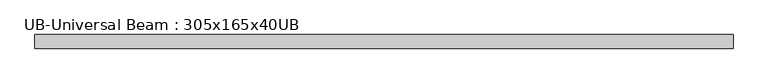
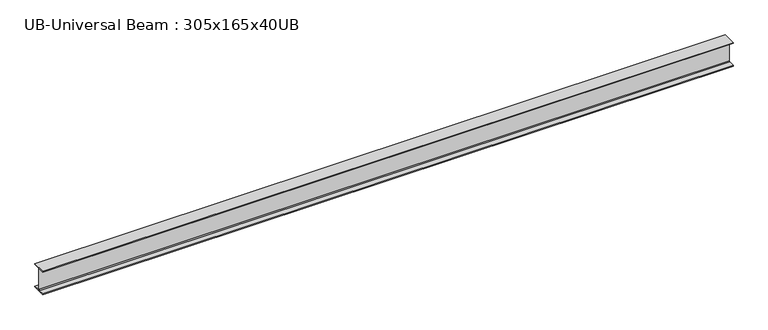
"""IFC4 building model written with IfcOpenShell, lengths in millimetres: beam geometry, UB-Universal Beam : 305x165x40UB."""

from ifc_helpers import new_model, si_unit, point, frame, frame_2d, origin, place, context, project, spatial, polyline, circle_curve, trimmed, segment, composite_curve, outline, extrude, source, transform, mapped, element, save


def ub_universal_beam_305x165x40ub_78087930(model_context):
    return source(origin(), model_context, "Body", "SweptSolid", [
        extrude(outline(composite_curve([segment(polyline([(82.5, -141.5), (82.5, -151.7), (-82.5, -151.7), (-82.5, -141.5), (-11.9, -141.5)]), True, "CONTINUOUS"), segment(trimmed(circle_curve(frame_2d((-11.9, -132.6)), 8.9), [point((-11.9, -141.5))], [point((-3.0, -132.6))], True, "CARTESIAN"), True, "CONTINUOUS"), segment(polyline([(-3.0, -132.6), (-3.0, 132.6)]), True, "CONTINUOUS"), segment(trimmed(circle_curve(frame_2d((-11.9, 132.6)), 8.9), [point((-3.0, 132.6))], [point((-11.9, 141.5))], True, "CARTESIAN"), True, "CONTINUOUS"), segment(polyline([(-11.9, 141.5), (-82.5, 141.5), (-82.5, 151.7), (82.5, 151.7), (82.5, 141.5), (11.9, 141.5)]), True, "CONTINUOUS"), segment(trimmed(circle_curve(frame_2d((11.9, 132.6)), 8.9), [point((11.9, 141.5))], [point((3.0, 132.6))], True, "CARTESIAN"), True, "CONTINUOUS"), segment(polyline([(3.0, 132.6), (3.0, -132.6)]), True, "CONTINUOUS"), segment(trimmed(circle_curve(frame_2d((11.9, -132.6)), 8.9), [point((3.0, -132.6))], [point((11.9, -141.5))], True, "CARTESIAN"), True, "CONTINUOUS"), segment(polyline([(11.9, -141.5), (82.5, -141.5)]), True, "CONTINUOUS")], self_intersect=False)), frame((-4232.6310742, 0.0, 0.0), z_axis=(1.0, 0.0, 0.0), x_axis=(0.0, 1.0, 0.0)), (0.0, 0.0, 1.0), 8457.7135358),
    ])


if __name__ == "__main__":
    model = new_model("IFC4")
    model_context = context("Model", 3, world=origin())
    ifc_project = project(units=[si_unit("LENGTHUNIT", "METRE", prefix="MILLI")], contexts=[model_context])
    site = spatial("IfcSite", under=ifc_project)
    building = spatial("IfcBuilding", under=site)
    placement = place(None, origin())
    ub_universal_beam_305x165x40ub_shape = ub_universal_beam_305x165x40ub_78087930(model_context)
    element("IfcBeam", 1, ObjectType="UB-Universal Beam : 305x165x40UB", at=placement, inside=building, context=model_context, shape_type="MappedRepresentation", body=[
        mapped(ub_universal_beam_305x165x40ub_shape, transform((0.0, 0.0, 0.0), x_axis=(1.0, 0.0, 0.0), y_axis=(0.0, 1.0, 0.0), z_axis=(0.0, 0.0, 1.0))),
    ])
    save(model, "model.ifc")
